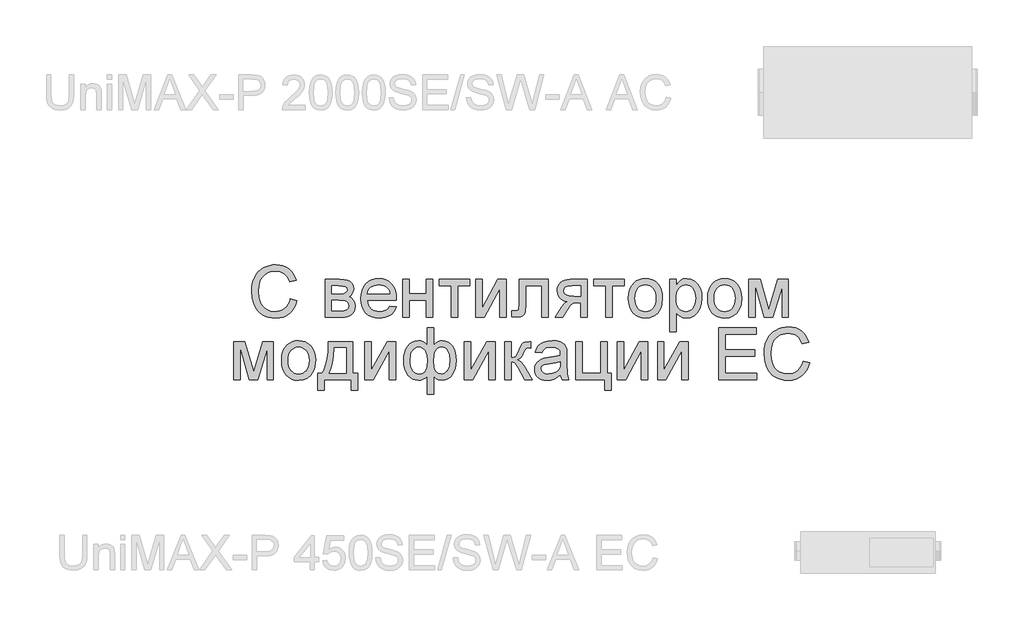
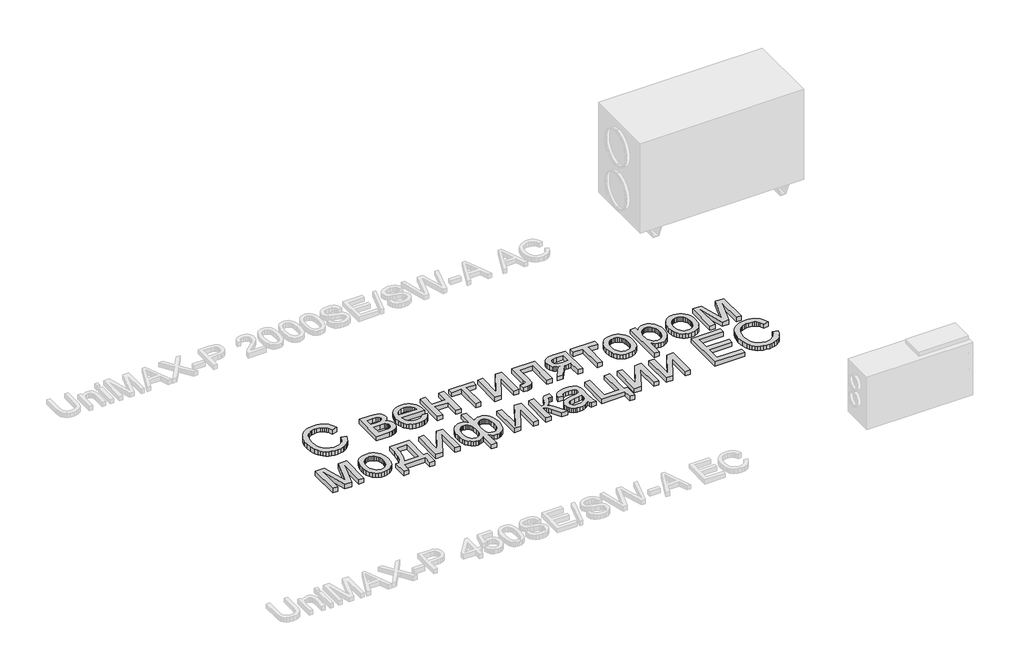
# One storey, part 7 of 74: 1 proxy.
"""IFC4 building model written with IfcOpenShell, lengths in millimetres."""

from ifc_helpers import new_model, si_unit, origin, origin_with_axes, place, context, project, spatial, polyline, outline, extrude, element, save

model = new_model("IFC4")

# Units and contexts
model_context = context("Model", 3, world=origin())
ifc_project = project(units=[si_unit("LENGTHUNIT", "METRE", prefix="MILLI")], contexts=[model_context])

# Site, building, storey
site = spatial("IfcSite", under=ifc_project)
building = spatial("IfcBuilding", under=site)
storey = spatial("IfcBuildingStorey", under=building, Elevation=0.0)

# Proxy
placement = place(None, origin())
element("IfcBuildingElementProxy", 1, Name="Generic Models", at=placement, inside=storey, context=model_context, shape_type="SweptSolid", body=[
    extrude(outline(polyline([(24942.8608053, -33678.9298031), (24999.0678231, -33693.4206749), (24987.9458046, -33728.3751002), (24973.132456, -33758.9177687), (24954.6277774, -33785.0486803), (24932.4317688, -33806.7678349), (24907.0452983, -33823.8419516), (24878.9692342, -33836.0377492), (24848.2035765, -33843.3552278), (24814.7483252, -33845.7943874), (24780.4731594, -33843.9487223), (24749.5531245, -33838.4117273), (24721.9882204, -33829.1834022), (24697.7784472, -33816.2637471), (24676.5910362, -33799.8448758), (24658.0932188, -33780.1189021), (24642.284995, -33757.0858261), (24629.1663648, -33730.7456477), (24611.5056148, -33672.699826), (24605.6186982, -33610.5372794), (24607.2825412, -33576.6360495), (24612.2740702, -33544.9715735), (24620.5932852, -33515.5438514), (24632.2401861, -33488.3528832), (24646.9540472, -33463.848078), (24664.4741424, -33442.4788449), (24684.8004718, -33424.2451841), (24707.9330354, -33409.1470953), (24733.0862248, -33397.3080805), (24759.4744316, -33388.8516414), (24787.097656, -33383.7777779), (24815.9558978, -33382.0864901), (24848.104089, -33384.2752155), (24877.5832702, -33390.8413918), (24904.3934413, -33401.7850189), (24928.5346025, -33417.1060969), (24949.6088036, -33436.3998145), (24967.2180945, -33459.2613603), (24981.3624753, -33485.6907344), (24992.0419459, -33515.6879368), (24935.8349281, -33529.0810153), (24916.3490967, -33488.0921573), (24903.9303098, -33472.4245883), (24889.7276087, -33459.9749259), (24873.658659, -33450.4893056), (24855.6411262, -33443.7138624), (24813.7603112, -33438.2935079), (24788.5453709, -33439.7961125), (24765.48485, -33444.3039263), (24744.5787485, -33451.8169494), (24725.8270664, -33462.3351816), (24709.4665154, -33475.3851996), (24695.7338071, -33490.4935802), (24684.6289416, -33507.6603232), (24676.1519188, -33526.8854286), (24665.4072667, -33568.0252332), (24661.825716, -33610.4275001), (24666.0659427, -33662.353124), (24678.7866228, -33707.2528707), (24688.447204, -33726.6392146), (24700.4680408, -33743.4114381), (24714.8491333, -33757.5695413), (24731.5904814, -33769.1135241), (24768.9017317, -33784.4689082), (24809.1495792, -33789.5873695), (24833.5857724, -33787.8446226), (24856.0665211, -33782.6163819), (24876.5918256, -33773.9026475), (24895.1616857, -33761.7034192), (24911.3369841, -33746.0735869), (24924.6786035, -33727.0680401), (24935.1865439, -33704.6867788), (24942.8608053, -33678.9298031)])), origin_with_axes(), (0.0, 0.0, 1.0), 50.0),
    extrude(outline(polyline([(25244.9735263, -33508.5522802), (25368.8046125, -33508.5522802), (25408.6133426, -33510.4322513), (25436.7031291, -33516.0721645), (25457.3690883, -33526.7207596), (25474.9063366, -33543.6267767), (25486.8860062, -33565.6512552), (25490.8792294, -33591.6552344), (25488.4640841, -33612.6093643), (25481.2186482, -33630.6817868), (25469.1154768, -33645.9548363), (25452.1271252, -33658.5108474), (25472.9303086, -33670.1886238), (25489.8912154, -33688.974612), (25501.1710417, -33713.3867909), (25504.9309838, -33741.9431395), (25501.8091341, -33764.9487707), (25495.4076268, -33784.7845237), (25485.726462, -33801.4503985), (25472.7656396, -33814.9463951), (25456.5045761, -33825.3685704), (25436.9226878, -33832.8129814), (25414.0199747, -33837.2796279), (25387.7964368, -33838.7685101), (25244.9735263, -33838.7685101), (25244.9735263, -33508.5522802)]), holes=[polyline([(25301.1805441, -33635.0180704), (25356.728886, -33635.0180704), (25402.561757, -33632.1638078), (25424.8469613, -33620.7467573), (25432.215899, -33611.3057348), (25434.6722115, -33600.1082429), (25430.3633727, -33583.33945), (25417.4368564, -33572.5536306), (25394.0813036, -33566.7078812), (25358.4853553, -33564.7592981), (25301.1805441, -33564.7592981), (25301.1805441, -33635.0180704)]), polyline([(25301.1805441, -33782.5614923), (25370.1219644, -33782.5614923), (25407.6939407, -33780.0228452), (25431.2690522, -33772.4069041), (25443.9211202, -33758.5609859), (25448.723966, -33737.3324076), (25446.3225431, -33723.2669307), (25439.1182744, -33710.2718023), (25428.0580068, -33700.1034917), (25414.0885868, -33694.5184682), (25364.6329978, -33691.2250883), (25301.1805441, -33691.2250883), (25301.1805441, -33782.5614923)])]), origin_with_axes(), (0.0, 0.0, 1.0), 50.0),
    extrude(outline(polyline([(25806.3850288, -33740.4062289), (25861.4942533, -33747.4321061), (25853.0446754, -33769.504613), (25841.6379167, -33788.9561383), (25827.2739772, -33805.7866821), (25809.9528571, -33819.9962444), (25789.8529475, -33831.2829319), (25767.1526401, -33839.3448516), (25741.8519347, -33844.1820034), (25713.9508315, -33845.7943874), (25679.07531, -33843.0121674), (25648.0008979, -33834.6655076), (25620.7275952, -33820.7544079), (25597.2554018, -33801.2788683), (25578.380218, -33776.7809243), (25564.8979438, -33747.8026114), (25556.8085793, -33714.3439294), (25554.1121244, -33676.4048785), (25556.8360241, -33637.179351), (25565.0077231, -33602.6057227), (25578.6272215, -33572.6839936), (25597.6945191, -33547.4141637), (25621.1049616, -33527.3382684), (25647.7538944, -33512.9983432), (25677.6413175, -33504.394388), (25710.7672308, -33501.526403), (25742.8262263, -33504.3875268), (25771.8182617, -33512.9708983), (25797.743337, -33527.2765175), (25820.6014522, -33547.3043843), (25839.260508, -33572.5193246), (25852.588405, -33602.386164), (25860.5851432, -33636.9049027), (25863.2507226, -33676.0755405), (25862.9213846, -33691.2250883), (25610.3191423, -33691.2250883), (25613.5747856, -33713.654378), (25620.0483356, -33733.2980171), (25629.7397922, -33750.1560058), (25642.6491555, -33764.2283439), (25658.0628598, -33775.3229176), (25675.2673394, -33783.2476131), (25694.2625944, -33788.0024304), (25715.0486248, -33789.5873695), (25744.9634927, -33786.6507724), (25770.1578493, -33777.840981), (25790.6316947, -33762.6090987), (25806.3850288, -33740.4062289)]), holes=[polyline([(25610.3191423, -33635.0180704), (25807.0437048, -33635.0180704), (25799.441486, -33605.3227612), (25784.5389418, -33584.0804605), (25769.2110026, -33572.5536306), (25751.7698112, -33564.3201808), (25732.2153678, -33559.3801108), (25710.5476722, -33557.7334209), (25672.6600803, -33562.9891064), (25641.3318035, -33578.7561629), (25628.87528, -33590.1560604), (25619.5543286, -33603.3330108), (25613.3689493, -33618.2870141), (25610.3191423, -33635.0180704)])]), origin_with_axes(), (0.0, 0.0, 1.0), 50.0),
    extrude(outline(polyline([(25919.4577405, -33508.5522802), (25975.6647583, -33508.5522802), (25975.6647583, -33635.0180704), (26123.2081802, -33635.0180704), (26123.2081802, -33508.5522802), (26179.415198, -33508.5522802), (26179.415198, -33838.7685101), (26123.2081802, -33838.7685101), (26123.2081802, -33691.2250883), (25975.6647583, -33691.2250883), (25975.6647583, -33838.7685101), (25919.4577405, -33838.7685101), (25919.4577405, -33508.5522802)])), origin_with_axes(), (0.0, 0.0, 1.0), 50.0),
    extrude(outline(polyline([(26235.6222159, -33508.5522802), (26502.6055507, -33508.5522802), (26502.6055507, -33564.7592981), (26397.2173922, -33564.7592981), (26397.2173922, -33838.7685101), (26341.0103744, -33838.7685101), (26341.0103744, -33564.7592981), (26235.6222159, -33564.7592981), (26235.6222159, -33508.5522802)])), origin_with_axes(), (0.0, 0.0, 1.0), 50.0),
    extrude(outline(polyline([(26551.7866913, -33508.5522802), (26607.9937092, -33508.5522802), (26607.9937092, -33760.3860673), (26746.0961085, -33508.5522802), (26818.7700261, -33508.5522802), (26818.7700261, -33838.7685101), (26762.5630083, -33838.7685101), (26762.5630083, -33588.4716337), (26625.3388436, -33838.7685101), (26551.7866913, -33838.7685101), (26551.7866913, -33508.5522802)])), origin_with_axes(), (0.0, 0.0, 1.0), 50.0),
    extrude(outline(polyline([(26931.1840618, -33508.5522802), (27184.1156422, -33508.5522802), (27184.1156422, -33838.4391721), (27127.9086243, -33838.4391721), (27127.9086243, -33564.7592981), (26987.3910797, -33564.7592981), (26987.3910797, -33722.2926391), (26983.6036927, -33794.9665568), (26976.5092034, -33811.4197341), (26962.8005094, -33825.64988), (26941.997326, -33835.4888526), (26913.6193687, -33838.7685101), (26867.9511667, -33835.9142475), (26867.9511667, -33782.5614923), (26893.0906337, -33782.5614923), (26918.504549, -33779.1034433), (26924.8580278, -33774.6299356), (26928.6591372, -33768.1255101), (26931.1840618, -33719.1090385), (26931.1840618, -33508.5522802)])), origin_with_axes(), (0.0, 0.0, 1.0), 50.0),
    extrude(outline(polyline([(27521.3577493, -33508.5522802), (27521.3577493, -33838.7685101), (27465.1507314, -33838.7685101), (27465.1507314, -33712.30272), (27434.5222979, -33712.30272), (27410.0963965, -33714.0866341), (27392.8061518, -33719.4383765), (27376.1471382, -33734.9995968), (27353.6149304, -33767.4119445), (27308.824963, -33838.7685101), (27243.8355986, -33838.7685101), (27300.2621751, -33748.5298994), (27325.1820834, -33716.1449966), (27336.9010271, -33706.703974), (27348.1259638, -33701.7639041), (27327.4874494, -33697.2012006), (27309.7031977, -33689.9900708), (27294.7732085, -33680.1305145), (27282.6974821, -33667.6225319), (27266.7245893, -33637.872333), (27261.4002917, -33603.9505195), (27263.2185119, -33583.7099552), (27268.6731724, -33565.4728637), (27277.7642733, -33549.2392451), (27290.4918146, -33535.0090992), (27306.6636824, -33523.4342409), (27326.0877629, -33515.166485), (27348.7640561, -33510.2058314), (27374.6925621, -33508.5522802), (27521.3577493, -33508.5522802)]), holes=[polyline([(27465.1507314, -33564.7592981), (27391.0496825, -33564.7592981), (27352.777863, -33568.0115108), (27339.847916, -33572.0767767), (27331.0552777, -33577.7681489), (27320.9693016, -33591.8885154), (27317.6073095, -33608.2319135), (27322.5611019, -33629.6526056), (27337.4224789, -33644.5139826), (27364.8810343, -33653.2002722), (27407.6263616, -33656.0957021), (27465.1507314, -33656.0957021), (27465.1507314, -33564.7592981)])]), origin_with_axes(), (0.0, 0.0, 1.0), 50.0),
    extrude(outline(polyline([(27577.5647671, -33508.5522802), (27844.5481019, -33508.5522802), (27844.5481019, -33564.7592981), (27739.1599434, -33564.7592981), (27739.1599434, -33838.7685101), (27682.9529256, -33838.7685101), (27682.9529256, -33564.7592981), (27577.5647671, -33564.7592981), (27577.5647671, -33508.5522802)])), origin_with_axes(), (0.0, 0.0, 1.0), 50.0),
    extrude(outline(polyline([(27879.6774881, -33673.6603952), (27882.7170033, -33630.8944843), (27891.8355491, -33594.0429348), (27907.0331253, -33563.1057469), (27928.309732, -33538.0829205), (27949.7304241, -33522.0894441), (27973.3741477, -33510.6655324), (27999.2409028, -33503.8111853), (28027.3306893, -33501.526403), (28058.3399199, -33504.3086229), (28086.3782473, -33512.6552828), (28111.4456716, -33526.5663825), (28133.5421927, -33546.041922), (28151.5768786, -33570.4232255), (28164.458797, -33599.0516168), (28172.1879481, -33631.9270961), (28174.7643318, -33669.0496632), (28170.2084895, -33725.8330226), (28164.5136867, -33749.140547), (28156.5409627, -33769.0586345), (28134.1597015, -33801.4298149), (28103.4626558, -33825.64988), (28067.0021953, -33840.7582605), (28027.3306893, -33845.7943874), (27995.8686189, -33843.0224592), (27967.5695655, -33834.7066748), (27942.4335292, -33820.8470342), (27920.4605098, -33801.4435373), (27902.6179378, -33776.8255222), (27889.8732435, -33747.3223268), (27882.2264269, -33712.9339511), (27879.6774881, -33673.6603952)]), holes=[polyline([(27935.8845059, -33673.5506158), (27937.5106123, -33700.8136268), (27942.3889313, -33724.4196137), (27950.5194631, -33744.3685766), (27961.9022075, -33760.6605156), (27975.7481258, -33773.3160142), (27991.2681788, -33782.355656), (28008.4623666, -33787.7794411), (28027.3306893, -33789.5873695), (28046.102955, -33787.7691493), (28063.2285307, -33782.3144888), (28078.7074165, -33773.2233879), (28092.5396123, -33760.4958466), (28103.9223568, -33744.0426692), (28112.0528885, -33723.7746601), (28116.9312076, -33699.6918192), (28118.5573139, -33671.7941465), (28116.9209158, -33645.3956479), (28112.0117213, -33622.4071697), (28103.8297305, -33602.828712), (28092.3749433, -33586.6602748), (28078.4912885, -33574.0047762), (28063.0226945, -33564.9651343), (28045.9691614, -33559.5413492), (28027.3306893, -33557.7334209), (28008.4623666, -33559.534488), (27991.2681788, -33564.9376895), (27975.7481258, -33573.9430253), (27961.9022075, -33586.5504954), (27950.5194631, -33602.7944059), (27942.3889313, -33622.7090628), (27937.5106123, -33646.2944661), (27935.8845059, -33673.5506158)])]), origin_with_axes(), (0.0, 0.0, 1.0), 50.0),
    extrude(outline(polyline([(28237.9972269, -33965.2343003), (28237.9972269, -33508.5522802), (28294.2042447, -33508.5522802), (28294.2042447, -33563.6615048), (28312.5373931, -33536.4773978), (28333.0661282, -33517.0601784), (28356.9980225, -33505.4098469), (28385.5406487, -33501.526403), (28423.5517424, -33506.9604799), (28456.787435, -33523.2627107), (28483.8480403, -33549.4450813), (28503.3338717, -33584.5195778), (28515.107705, -33625.9338307), (28519.0323161, -33671.1354705), (28514.5999756, -33719.2050954), (28501.3029541, -33762.1974262), (28479.5666464, -33797.9305987), (28449.8164475, -33824.2227487), (28415.1673459, -33840.4014777), (28378.7343302, -33845.7943874), (28352.89502, -33842.1853918), (28329.8276379, -33831.3584052), (28310.0810806, -33815.0150072), (28294.2042447, -33794.8567774), (28294.2042447, -33965.2343003), (28237.9972269, -33965.2343003)]), holes=[polyline([(28294.2042447, -33676.2950991), (28295.7240024, -33703.3831492), (28300.2832752, -33726.6838124), (28307.8820633, -33746.1970886), (28318.5203667, -33761.9229779), (28331.3268119, -33774.0261492), (28345.4300254, -33782.6712716), (28360.8300073, -33787.858345), (28377.5267575, -33789.5873695), (28394.46365, -33787.7965942), (28410.1449415, -33782.4242681), (28424.5706318, -33773.4703914), (28437.740721, -33760.9349639), (28448.7152236, -33744.6395944), (28456.554154, -33724.4058913), (28461.2575122, -33700.2338547), (28462.8252983, -33672.1234845), (28461.2952489, -33645.2687155), (28456.7051005, -33622.0092196), (28449.0548534, -33602.3449968), (28438.3445073, -33586.2760471), (28425.5071867, -33573.7886481), (28411.4760159, -33564.8690774), (28396.2509948, -33559.517335), (28379.8321235, -33557.7334209), (28363.4647112, -33559.6305449), (28348.0647294, -33565.3219172), (28333.6321778, -33574.8075376), (28320.1670567, -33588.0874061), (28308.8083265, -33604.9831314), (28300.6949477, -33625.316322), (28295.8269205, -33649.0869779), (28294.2042447, -33676.2950991)])]), origin_with_axes(), (0.0, 0.0, 1.0), 50.0),
    extrude(outline(polyline([(28568.2134568, -33673.6603952), (28571.252972, -33630.8944843), (28580.3715178, -33594.0429348), (28595.569094, -33563.1057469), (28616.8457007, -33538.0829205), (28638.2663928, -33522.0894441), (28661.9101164, -33510.6655324), (28687.7768714, -33503.8111853), (28715.866658, -33501.526403), (28746.8758886, -33504.3086229), (28774.914216, -33512.6552828), (28799.9816403, -33526.5663825), (28822.0781614, -33546.041922), (28840.1128473, -33570.4232255), (28852.9947657, -33599.0516168), (28860.7239168, -33631.9270961), (28863.3003005, -33669.0496632), (28858.7444582, -33725.8330226), (28853.0496554, -33749.140547), (28845.0769314, -33769.0586345), (28822.6956702, -33801.4298149), (28791.9986245, -33825.64988), (28755.538164, -33840.7582605), (28715.866658, -33845.7943874), (28684.4045876, -33843.0224592), (28656.1055342, -33834.7066748), (28630.9694979, -33820.8470342), (28608.9964785, -33801.4435373), (28591.1539065, -33776.8255222), (28578.4092122, -33747.3223268), (28570.7623956, -33712.9339511), (28568.2134568, -33673.6603952)]), holes=[polyline([(28624.4204746, -33673.5506158), (28626.046581, -33700.8136268), (28630.9249, -33724.4196137), (28639.0554318, -33744.3685766), (28650.4381762, -33760.6605156), (28664.2840945, -33773.3160142), (28679.8041475, -33782.355656), (28696.9983353, -33787.7794411), (28715.866658, -33789.5873695), (28734.6389237, -33787.7691493), (28751.7644994, -33782.3144888), (28767.2433852, -33773.2233879), (28781.075581, -33760.4958466), (28792.4583255, -33744.0426692), (28800.5888572, -33723.7746601), (28805.4671763, -33699.6918192), (28807.0932826, -33671.7941465), (28805.4568845, -33645.3956479), (28800.54769, -33622.4071697), (28792.3656992, -33602.828712), (28780.910912, -33586.6602748), (28767.0272572, -33574.0047762), (28751.5586632, -33564.9651343), (28734.5051301, -33559.5413492), (28715.866658, -33557.7334209), (28696.9983353, -33559.534488), (28679.8041475, -33564.9376895), (28664.2840945, -33573.9430253), (28650.4381762, -33586.5504954), (28639.0554318, -33602.7944059), (28630.9249, -33622.7090628), (28626.046581, -33646.2944661), (28624.4204746, -33673.5506158)])]), origin_with_axes(), (0.0, 0.0, 1.0), 50.0),
    extrude(outline(polyline([(28926.5331956, -33508.5522802), (29023.2487868, -33508.5522802), (29097.7889531, -33772.9009111), (29178.1474239, -33508.5522802), (29270.8011799, -33508.5522802), (29270.8011799, -33838.7685101), (29214.5941621, -33838.7685101), (29214.5941621, -33572.8829686), (29133.7965739, -33838.7685101), (29060.024863, -33838.7685101), (28982.7402134, -33560.1485662), (28982.7402134, -33838.7685101), (28926.5331956, -33838.7685101), (28926.5331956, -33508.5522802)])), origin_with_axes(), (0.0, 0.0, 1.0), 50.0),
    extrude(outline(polyline([(24451.0493991, -34048.9843634), (24547.7649904, -34048.9843634), (24622.3051566, -34313.3329943), (24702.6636274, -34048.9843634), (24795.3173834, -34048.9843634), (24795.3173834, -34379.2005933), (24739.1103656, -34379.2005933), (24739.1103656, -34113.3150518), (24658.3127774, -34379.2005933), (24584.5410665, -34379.2005933), (24507.2564169, -34100.5806493), (24507.2564169, -34379.2005933), (24451.0493991, -34379.2005933), (24451.0493991, -34048.9843634)])), origin_with_axes(), (0.0, 0.0, 1.0), 50.0),
    extrude(outline(polyline([(24865.5761557, -34214.0924784), (24868.615671, -34171.3265674), (24877.7342167, -34134.475018), (24892.931793, -34103.5378301), (24914.2083997, -34078.5150037), (24935.6290918, -34062.5215273), (24959.2728154, -34051.0976156), (24985.1395704, -34044.2432685), (25013.2293569, -34041.9584862), (25044.2385876, -34044.7407061), (25072.276915, -34053.0873659), (25097.3443393, -34066.9984656), (25119.4408604, -34086.4740052), (25137.4755462, -34110.8553087), (25150.3574647, -34139.4837), (25158.0866158, -34172.3591793), (25160.6629995, -34209.4817464), (25156.1071572, -34266.2651058), (25150.4123544, -34289.5726301), (25142.4396304, -34309.4907176), (25120.0583691, -34341.8618981), (25089.3613235, -34366.0819632), (25052.900863, -34381.1903437), (25013.2293569, -34386.2264705), (24981.7672866, -34383.4545424), (24953.4682332, -34375.138758), (24928.3321969, -34361.2791174), (24906.3591775, -34341.8756205), (24888.5166055, -34317.2576054), (24875.7719112, -34287.75441), (24868.1250946, -34253.3660343), (24865.5761557, -34214.0924784)]), holes=[polyline([(24921.7831736, -34213.982699), (24923.40928, -34241.2457099), (24928.287599, -34264.8516969), (24936.4181308, -34284.8006598), (24947.8008752, -34301.0925988), (24961.6467934, -34313.7480974), (24977.1668465, -34322.7877392), (24994.3610343, -34328.2115243), (25013.2293569, -34330.0194527), (25032.0016227, -34328.2012325), (25049.1271984, -34322.746572), (25064.6060842, -34313.655471), (25078.43828, -34300.9279298), (25089.8210245, -34284.4747524), (25097.9515562, -34264.2067433), (25102.8298753, -34240.1239024), (25104.4559816, -34212.2262297), (25102.8195835, -34185.827731), (25097.910389, -34162.8392529), (25089.7283981, -34143.2607952), (25078.273611, -34127.092358), (25064.3899561, -34114.4368594), (25048.9213622, -34105.3972175), (25031.8678291, -34099.9734324), (25013.2293569, -34098.165504), (24994.3610343, -34099.9665712), (24977.1668465, -34105.3697727), (24961.6467934, -34114.3751085), (24947.8008752, -34126.9825786), (24936.4181308, -34143.2264891), (24928.287599, -34163.141146), (24923.40928, -34186.7265493), (24921.7831736, -34213.982699)])]), origin_with_axes(), (0.0, 0.0, 1.0), 50.0),
    extrude(outline(polyline([(25273.0770352, -34048.9843634), (25483.8533521, -34048.9843634), (25483.8533521, -34322.9935754), (25526.0086155, -34322.9935754), (25526.0086155, -34470.5369973), (25469.8015977, -34470.5369973), (25469.8015977, -34379.2005933), (25237.947649, -34379.2005933), (25237.947649, -34470.5369973), (25181.7406312, -34470.5369973), (25181.7406312, -34322.9935754), (25216.8700173, -34322.9935754), (25230.5958644, -34301.7821502), (25242.4074344, -34276.8450889), (25260.287743, -34215.794058), (25270.5109433, -34139.8404829), (25273.0770352, -34048.9843634)]), holes=[polyline([(25322.2581758, -34105.1913813), (25317.6474439, -34174.0092999), (25309.084656, -34233.2489717), (25296.5698122, -34282.9103969), (25280.1029124, -34322.9935754), (25427.6463343, -34322.9935754), (25427.6463343, -34105.1913813), (25322.2581758, -34105.1913813)])]), origin_with_axes(), (0.0, 0.0, 1.0), 50.0),
    extrude(outline(polyline([(25589.2415106, -34048.9843634), (25645.4485284, -34048.9843634), (25645.4485284, -34300.8181504), (25783.5509278, -34048.9843634), (25856.2248454, -34048.9843634), (25856.2248454, -34379.2005933), (25800.0178275, -34379.2005933), (25800.0178275, -34128.9037169), (25662.7936629, -34379.2005933), (25589.2415106, -34379.2005933), (25589.2415106, -34048.9843634)])), origin_with_axes(), (0.0, 0.0, 1.0), 50.0),
    extrude(outline(polyline([(26130.2340574, -33929.5444505), (26186.4410753, -33929.5444505), (26186.4410753, -34080.7105903), (26203.4980389, -34063.6536266), (26222.1742478, -34051.5641777), (26242.3873672, -34044.3599091), (26264.0550628, -34041.9584862), (26290.076195, -34045.0117238), (26313.2499259, -34054.1714368), (26333.5762552, -34069.4376252), (26351.0551832, -34090.8102888), (26365.1035071, -34116.814268), (26375.1380241, -34145.974403), (26381.1587343, -34178.2906938), (26383.1656378, -34213.7631404), (26381.0043572, -34250.5495083), (26374.5205154, -34283.6239626), (26363.7141124, -34312.9865032), (26348.5851483, -34338.6371302), (26330.2451386, -34359.4574666), (26309.8055993, -34374.3291355), (26287.2665303, -34383.2521368), (26262.6279315, -34386.2264705), (26228.2670007, -34380.7375039), (26209.0830624, -34370.5005813), (26186.4410753, -34350.7677464), (26186.4410753, -34505.6663835), (26130.2340574, -34505.6663835), (26130.2340574, -34350.7677464), (26113.1359265, -34366.2466322), (26094.3362159, -34377.3343447), (26073.8898154, -34384.0034391), (26051.8516146, -34386.2264705), (26027.5080477, -34383.3859303), (26004.7562812, -34374.8643097), (25983.596315, -34360.6616087), (25964.0281492, -34340.7778272), (25947.6024167, -34315.6040542), (25935.8697506, -34285.5313785), (25928.8301509, -34250.5598001), (25926.4836177, -34210.6893191), (25928.6071617, -34176.2940822), (25934.9777935, -34144.7942752), (25945.5955132, -34116.1898981), (25960.4603209, -34090.4809508), (25978.9135404, -34069.2523725), (26000.2964959, -34054.0891023), (26024.6091873, -34044.9911402), (26051.8516146, -34041.9584862), (26074.7543276, -34044.3599091), (26095.3791196, -34051.5641777), (26113.8357697, -34063.6536266), (26130.2340574, -34080.7105903), (26130.2340574, -33929.5444505)]), holes=[polyline([(26186.1117373, -34215.0804923), (26190.7910813, -34271.9873534), (26196.6402613, -34292.0735405), (26204.8291133, -34306.5815654), (26225.9204675, -34324.1599808), (26251.7597777, -34330.0194527), (26266.7755319, -34328.2183855), (26280.6454643, -34322.815184), (26293.369575, -34313.8098482), (26304.9478639, -34301.2023781), (26314.5775696, -34284.8006598), (26321.4559309, -34264.4125795), (26326.9586199, -34211.6773331), (26321.8813258, -34161.6728475), (26315.5347082, -34142.1458488), (26306.6494435, -34126.269013), (26295.7744285, -34113.9737278), (26283.4585597, -34105.1913813), (26269.7018372, -34099.9219733), (26254.504261, -34098.165504), (26238.54166, -34099.994016), (26224.68545, -34105.479552), (26212.9356309, -34114.622112), (26203.2922027, -34127.4216959), (26195.7757491, -34143.8714427), (26190.4068536, -34163.964491), (26186.1117373, -34215.0804923)]), polyline([(25982.6906356, -34209.4817464), (25984.0971832, -34239.2936962), (25988.3168263, -34264.6184158), (25995.3495648, -34285.4559052), (26005.1953986, -34301.8061644), (26017.1270397, -34314.149478), (26030.4172, -34322.9661306), (26045.0658796, -34328.2561222), (26061.0730784, -34330.0194527), (26077.4267682, -34328.266414), (26091.5780102, -34323.0072979), (26103.5268044, -34314.2421043), (26113.2731507, -34301.9708334), (26120.8376327, -34286.1934851), (26126.2408342, -34266.9100593), (26130.5633954, -34217.8249756), (26126.0212756, -34165.4739568), (26120.3436258, -34144.9074851), (26112.394916, -34128.0803719), (26102.1545627, -34114.9926172), (26089.6019823, -34105.644221), (26074.7371746, -34100.0351833), (26057.5601398, -34098.165504), (26041.751916, -34099.9905854), (26027.4806029, -34105.4658296), (26014.7462004, -34114.5912365), (26003.5487086, -34127.3668063), (25994.4233016, -34143.4494784), (25987.9051538, -34162.4961924), (25982.6906356, -34209.4817464)])]), origin_with_axes(), (0.0, 0.0, 1.0), 50.0),
    extrude(outline(polyline([(26453.4244101, -34048.9843634), (26509.6314279, -34048.9843634), (26509.6314279, -34300.8181504), (26647.7338273, -34048.9843634), (26720.4077449, -34048.9843634), (26720.4077449, -34379.2005933), (26664.200727, -34379.2005933), (26664.200727, -34128.9037169), (26526.9765623, -34379.2005933), (26453.4244101, -34379.2005933), (26453.4244101, -34048.9843634)])), origin_with_axes(), (0.0, 0.0, 1.0), 50.0),
    extrude(outline(polyline([(26804.7182716, -34048.9843634), (26860.9252895, -34048.9843634), (26860.9252895, -34189.501908), (26883.7868353, -34186.9769834), (26898.5796003, -34179.4022095), (26911.6707856, -34159.6419298), (26929.4275925, -34120.5604877), (26943.7400729, -34088.6009798), (26955.0610665, -34069.7875468), (26965.6273271, -34059.5369017), (26977.6756088, -34053.2657574), (27018.7879685, -34048.9843634), (27029.5463431, -34048.9843634), (27029.5463431, -34105.5207193), (27014.3967953, -34105.1913813), (26996.8321022, -34106.6734022), (26986.9519623, -34111.1194652), (26967.6308, -34148.1151), (26955.7609097, -34172.7742824), (26944.9613679, -34188.1296664), (26931.8839051, -34198.3803115), (26913.1802514, -34207.7252771), (26930.991948, -34215.6362502), (26948.6389756, -34229.598809), (26966.1213341, -34249.6129534), (26983.4390237, -34275.6786835), (27043.5980975, -34379.2005933), (26979.7065264, -34379.2005933), (26920.7550253, -34277.8742701), (26904.8370222, -34250.9097217), (26891.1146057, -34235.0054411), (26877.2549651, -34227.2248309), (26860.9252895, -34224.6312942), (26860.9252895, -34379.2005933), (26804.7182716, -34379.2005933), (26804.7182716, -34048.9843634)])), origin_with_axes(), (0.0, 0.0, 1.0), 50.0),
    extrude(outline(polyline([(27289.5038006, -34337.0453299), (27262.6490316, -34360.0715447), (27234.9983624, -34375.138758), (27205.9205619, -34383.4545424), (27174.784399, -34386.2264705), (27149.7581419, -34384.5591969), (27127.8125674, -34379.5573761), (27108.9476753, -34371.2210081), (27093.1634658, -34359.5500929), (27080.700081, -34345.285641), (27071.7976634, -34329.1686629), (27066.4562128, -34311.1991585), (27064.6757292, -34291.3771279), (27067.3653228, -34268.0764647), (27075.4341037, -34246.9164985), (27087.8803355, -34228.8029088), (27103.7022816, -34214.641375), (27122.296156, -34203.9378902), (27143.0581721, -34196.1984473), (27191.690416, -34187.7454387), (27249.1598962, -34178.8533129), (27289.1744626, -34168.4242764), (27289.5038006, -34155.9094325), (27285.6340792, -34130.8248552), (27274.0249148, -34114.4128451), (27248.0621029, -34102.2273393), (27211.8898131, -34098.165504), (27178.4071169, -34100.8688201), (27155.0241192, -34108.9787682), (27139.0786713, -34123.9773694), (27127.9086243, -34147.3466447), (27071.7016064, -34140.3207674), (27081.4582446, -34109.5825545), (27096.0177284, -34085.4311016), (27116.7385773, -34066.960729), (27144.9793104, -34053.2657574), (27179.5186326, -34044.785304), (27219.135249, -34041.9584862), (27257.1326202, -34044.455966), (27287.2533243, -34051.9484054), (27309.9639236, -34063.2145093), (27325.7309801, -34077.0329827), (27336.1874614, -34094.1173912), (27342.9663352, -34115.1813005), (27345.7108185, -34164.3624411), (27345.7108185, -34234.2918754), (27348.5650811, -34331.940591), (27359.7625729, -34379.2005933), (27303.5555551, -34379.2005933), (27294.5536499, -34359.6598722), (27289.5038006, -34337.0453299)]), holes=[polyline([(27289.5038006, -34224.6312942), (27251.7397105, -34233.9899822), (27198.8260726, -34241.8666493), (27150.468277, -34250.9783338), (27137.8848211, -34257.2083109), (27128.5673003, -34265.7985436), (27122.8038854, -34276.090356), (27120.8827471, -34287.425072), (27125.0680841, -34304.1389752), (27137.6240952, -34317.8339469), (27158.2763319, -34326.9730762), (27186.7503461, -34330.0194527), (27216.9396623, -34326.6574606), (27243.61604, -34316.5714845), (27265.2425683, -34301.7101075), (27280.2823368, -34284.0219127), (27286.9514312, -34265.7985436), (27289.1744626, -34240.5492973), (27289.5038006, -34224.6312942)])]), origin_with_axes(), (0.0, 0.0, 1.0), 50.0),
    extrude(outline(polyline([(27422.995468, -34048.9843634), (27479.2024859, -34048.9843634), (27479.2024859, -34322.9935754), (27640.7976622, -34322.9935754), (27640.7976622, -34048.9843634), (27697.0046801, -34048.9843634), (27697.0046801, -34322.9935754), (27732.1340662, -34322.9935754), (27732.1340662, -34470.5369973), (27675.9270484, -34470.5369973), (27675.9270484, -34379.2005933), (27422.995468, -34379.2005933), (27422.995468, -34048.9843634)])), origin_with_axes(), (0.0, 0.0, 1.0), 50.0),
    extrude(outline(polyline([(27781.3152068, -34048.9843634), (27837.5222247, -34048.9843634), (27837.5222247, -34300.8181504), (27975.624624, -34048.9843634), (28048.2985416, -34048.9843634), (28048.2985416, -34379.2005933), (27992.0915238, -34379.2005933), (27992.0915238, -34128.9037169), (27854.8673591, -34379.2005933), (27781.3152068, -34379.2005933), (27781.3152068, -34048.9843634)])), origin_with_axes(), (0.0, 0.0, 1.0), 50.0),
    extrude(outline(polyline([(28132.6090684, -34048.9843634), (28188.8160863, -34048.9843634), (28188.8160863, -34300.8181504), (28326.9184856, -34048.9843634), (28399.5924032, -34048.9843634), (28399.5924032, -34379.2005933), (28343.3853854, -34379.2005933), (28343.3853854, -34128.9037169), (28206.1612207, -34379.2005933), (28132.6090684, -34379.2005933), (28132.6090684, -34048.9843634)])), origin_with_axes(), (0.0, 0.0, 1.0), 50.0),
    extrude(outline(polyline([(28666.575738, -34379.2005933), (28666.575738, -33929.5444505), (28989.7660907, -33929.5444505), (28989.7660907, -33985.7514683), (28722.7827559, -33985.7514683), (28722.7827559, -34119.2431357), (28975.7143362, -34119.2431357), (28975.7143362, -34175.4501536), (28722.7827559, -34175.4501536), (28722.7827559, -34322.9935754), (28996.7919679, -34322.9935754), (28996.7919679, -34379.2005933), (28666.575738, -34379.2005933)])), origin_with_axes(), (0.0, 0.0, 1.0), 50.0),
    extrude(outline(polyline([(29397.2669701, -34219.3618863), (29453.4739879, -34233.8527581), (29442.3519694, -34268.8071834), (29427.5386208, -34299.3498519), (29409.0339422, -34325.4807634), (29386.8379336, -34347.1999181), (29361.4514631, -34364.2740348), (29333.375399, -34376.4698324), (29302.6097413, -34383.787311), (29269.1544899, -34386.2264705), (29234.8793242, -34384.3808055), (29203.9592893, -34378.8438105), (29176.3943852, -34369.6154854), (29152.184612, -34356.6958303), (29130.9972009, -34340.276959), (29112.4993835, -34320.5509853), (29096.6911598, -34297.5179093), (29083.5725296, -34271.1777309), (29065.9117796, -34213.1319092), (29060.024863, -34150.9693626), (29061.688706, -34117.0681327), (29066.680235, -34085.4036567), (29074.9994499, -34055.9759346), (29086.6463509, -34028.7849664), (29101.360212, -34004.2801612), (29118.8803072, -33982.9109281), (29139.2066366, -33964.6772672), (29162.3392002, -33949.5791785), (29187.4923895, -33937.7401637), (29213.8805964, -33929.2837246), (29241.5038208, -33924.2098611), (29270.3620626, -33922.5185732), (29302.5102538, -33924.7072987), (29331.9894349, -33931.273475), (29358.7996061, -33942.2171021), (29382.9407673, -33957.5381801), (29404.0149684, -33976.8318976), (29421.6242593, -33999.6934435), (29435.7686401, -34026.1228176), (29446.4481107, -34056.12002), (29390.2410928, -34069.5130985), (29370.7552615, -34028.5242405), (29358.3364746, -34012.8566715), (29344.1337735, -34000.4070091), (29328.0648238, -33990.9213887), (29310.047291, -33984.1459456), (29268.166476, -33978.7255911), (29242.9515357, -33980.2281957), (29219.8910148, -33984.7360095), (29198.9849133, -33992.2490325), (29180.2332312, -34002.7672648), (29163.8726802, -34015.8172828), (29150.1399719, -34030.9256633), (29139.0351064, -34048.0924063), (29130.5580836, -34067.3175118), (29119.8134315, -34108.4573164), (29116.2318808, -34150.8595833), (29120.4721075, -34202.7852072), (29133.1927876, -34247.6849539), (29142.8533688, -34267.0712977), (29154.8742056, -34283.8435213), (29169.2552981, -34298.0016245), (29185.9966461, -34309.5456073), (29223.3078965, -34324.9009913), (29263.555744, -34330.0194527), (29287.9919371, -34328.2767058), (29310.4726859, -34323.0484651), (29330.9979904, -34314.3347307), (29349.5678504, -34302.1355024), (29365.7431488, -34286.5056701), (29379.0847683, -34267.5001233), (29389.5927087, -34245.118862), (29397.2669701, -34219.3618863)])), origin_with_axes(), (0.0, 0.0, 1.0), 50.0),
])

save(model, "model.ifc")
